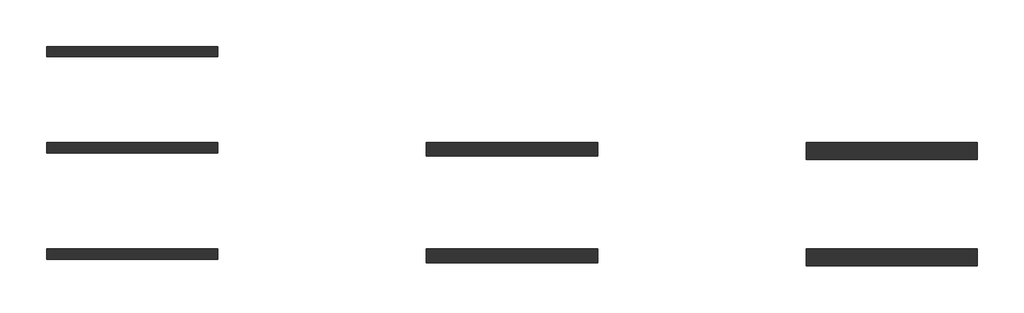
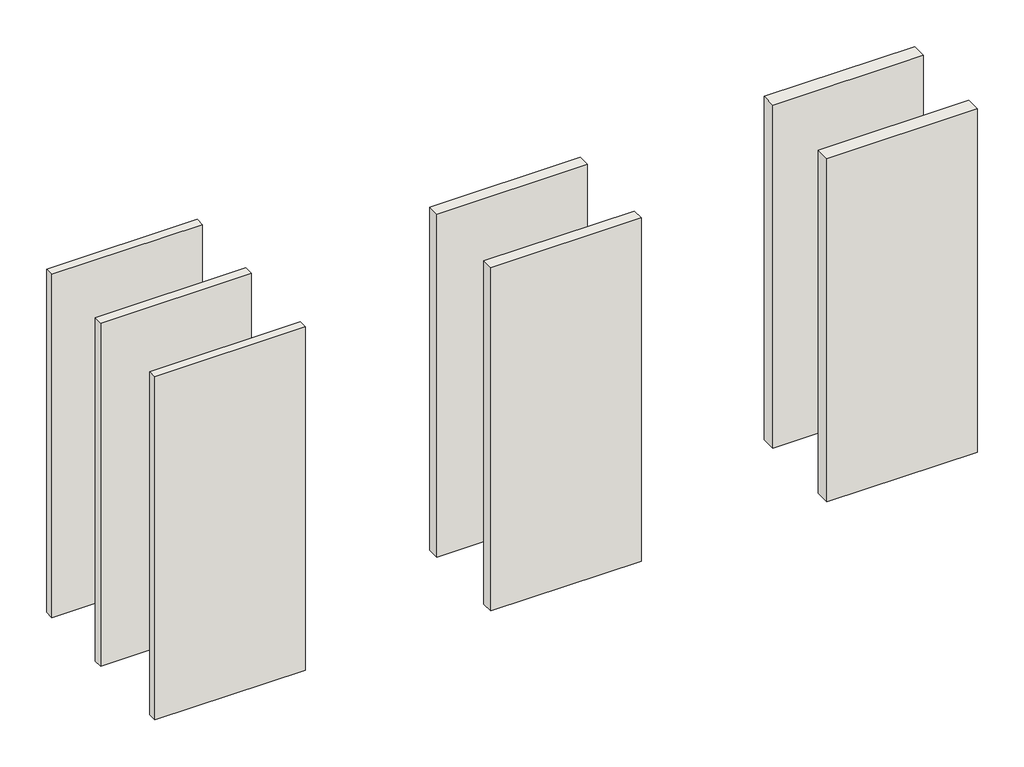
# One storey: 7 walls.
"""IFC4 building model written with IfcOpenShell, lengths in millimetres."""

from ifc_helpers import new_model, si_unit, origin, origin_with_axes, place, context, project, spatial, polyline, outline, extrude, element, save

model = new_model("IFC4")

# Units and contexts
model_context = context("Model", 3, world=origin())
ifc_project = project(units=[si_unit("LENGTHUNIT", "METRE", prefix="MILLI")], contexts=[model_context])

# Site, building, storey
site = spatial("IfcSite", under=ifc_project)
building = spatial("IfcBuilding", under=site)
storey = spatial("IfcBuildingStorey", under=building, Elevation=0.0)

# Walls
placement = place(None, origin())
element("IfcWall", 1, at=placement, inside=storey, context=model_context, shape_type="SweptSolid", body=[
    extrude(outline(polyline([(-9315.7236634, 13509.2035262), (-10560.2640717, 13509.2035262), (-10560.2640717, 13584.2035262), (-9315.7236634, 13584.2035262), (-9315.7236634, 13509.2035262)])), origin_with_axes(), (0.0, 0.0, 1.0), 3000.0),
])
element("IfcWall", 2, at=placement, inside=storey, context=model_context, shape_type="SweptSolid", body=[
    extrude(outline(polyline([(-9315.7236634, 12809.2035262), (-10560.2640717, 12809.2035262), (-10560.2640717, 12884.2035262), (-9315.7236634, 12884.2035262), (-9315.7236634, 12809.2035262)])), origin_with_axes(), (0.0, 0.0, 1.0), 3000.0),
])
element("IfcWall", 3, at=placement, inside=storey, context=model_context, shape_type="SweptSolid", body=[
    extrude(outline(polyline([(-9315.7236634, 12034.2035262), (-10560.2640717, 12034.2035262), (-10560.2640717, 12109.2035262), (-9315.7236634, 12109.2035262), (-9315.7236634, 12034.2035262)])), origin_with_axes(), (0.0, 0.0, 1.0), 3000.0),
])
element("IfcWall", 4, at=placement, inside=storey, context=model_context, shape_type="SweptSolid", body=[
    extrude(outline(polyline([(-6551.1832552, 12784.2035262), (-7795.7236634, 12784.2035262), (-7795.7236634, 12884.2035262), (-6551.1832552, 12884.2035262), (-6551.1832552, 12784.2035262)])), origin_with_axes(), (0.0, 0.0, 1.0), 3000.0),
])
element("IfcWall", 5, at=placement, inside=storey, context=model_context, shape_type="SweptSolid", body=[
    extrude(outline(polyline([(-6551.1832552, 12009.2035262), (-7795.7236634, 12009.2035262), (-7795.7236634, 12109.2035262), (-6551.1832552, 12109.2035262), (-6551.1832552, 12009.2035262)])), origin_with_axes(), (0.0, 0.0, 1.0), 3000.0),
])
element("IfcWall", 6, at=placement, inside=storey, context=model_context, shape_type="SweptSolid", body=[
    extrude(outline(polyline([(-3786.6428469, 12759.2035262), (-5031.1832552, 12759.2035262), (-5031.1832552, 12884.2035262), (-3786.6428469, 12884.2035262), (-3786.6428469, 12759.2035262)])), origin_with_axes(), (0.0, 0.0, 1.0), 3000.0),
])
element("IfcWall", 7, at=placement, inside=storey, context=model_context, shape_type="SweptSolid", body=[
    extrude(outline(polyline([(-3786.6428469, 11984.2035262), (-5031.1832552, 11984.2035262), (-5031.1832552, 12109.2035262), (-3786.6428469, 12109.2035262), (-3786.6428469, 11984.2035262)])), origin_with_axes(), (0.0, 0.0, 1.0), 3000.0),
])

save(model, "model.ifc")
